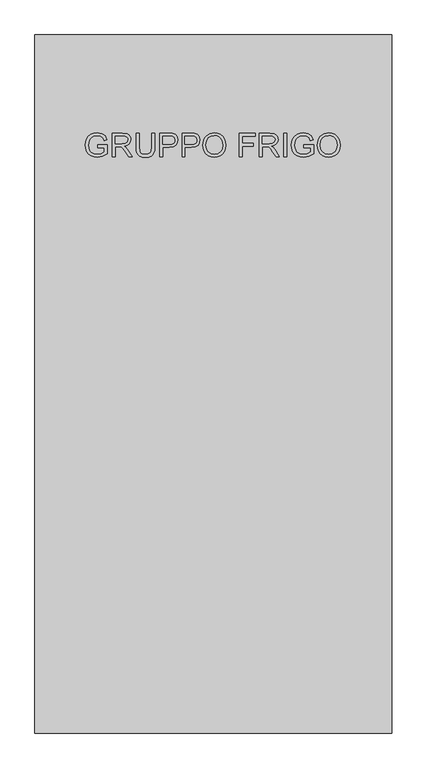
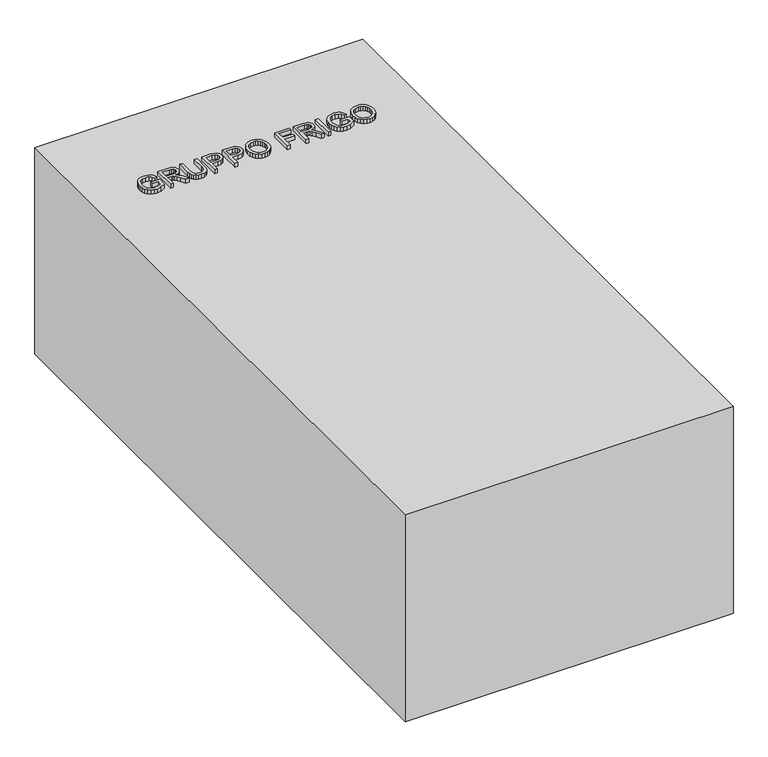
"""IFC4 building model written with IfcOpenShell, lengths in millimetres: proxy geometry."""

from ifc_helpers import new_model, si_unit, frame, origin, origin_with_axes, place, context, project, spatial, polyline, outline, extrude, source, transform, mapped, element, save


def mechanical_equipment_d75e34dd(model_context):
    return source(origin(), model_context, "Body", "SweptSolid", [
        extrude(outline(polyline([(-729.5403053, 1599.281646), (-729.5403053, 1618.1172041), (-668.3247413, 1618.1172041), (-668.3247413, 1561.7944707), (-698.5462472, 1544.0257703), (-730.4967985, 1538.066082), (-751.6270206, 1540.4343223), (-770.7246947, 1547.5390433), (-786.5896057, 1559.1319247), (-798.0215387, 1574.9646461), (-804.9331217, 1593.9565541), (-807.2369827, 1615.0269954), (-804.9423187, 1636.249188), (-798.0583269, 1655.9906555), (-786.8701157, 1672.5499438), (-771.6627938, 1684.2255986), (-753.1399353, 1691.1509772), (-732.0051147, 1693.4594367), (-702.5377669, 1688.1067537), (-690.7885356, 1681.705607), (-681.8811928, 1673.2075329), (-670.4952451, 1648.2835277), (-687.8592753, 1643.3906972), (-696.4493198, 1660.8099097), (-711.1278115, 1670.8530881), (-732.2994203, 1674.6238786), (-756.4140851, 1670.5587825), (-772.821622, 1659.8902047), (-782.5153126, 1645.37726), (-788.4014245, 1615.7995475), (-786.6309924, 1597.7871254), (-781.3196961, 1582.9660795), (-772.628484, 1571.442176), (-760.7183044, 1563.3211809), (-746.7801753, 1558.5065253), (-732.0051147, 1556.9016401), (-706.2349809, 1561.7392884), (-687.1602995, 1572.0583783), (-687.1602995, 1599.281646), (-729.5403053, 1599.281646)])), frame((0.0, 0.0, 1500.0), z_axis=(0.0, 0.0, 1.0), x_axis=(1.0, 0.0, 0.0)), (0.0, 0.0, 1.0), 30.0),
        extrude(outline(polyline([(-637.7169593, 1540.4205267), (-637.7169593, 1691.104992), (-572.7857872, 1691.104992), (-542.6378577, 1687.0398959), (-533.3580343, 1681.4113014), (-526.1567443, 1672.6557099), (-521.5352267, 1661.7985925), (-519.9947209, 1649.8654203), (-522.5469022, 1635.0213818), (-530.2034462, 1622.7157291), (-543.1942792, 1613.6934231), (-561.7493273, 1608.699425), (-551.0439613, 1600.6428093), (-535.7768585, 1581.2554282), (-510.6505182, 1540.4205267), (-532.5394969, 1540.4205267), (-552.1476072, 1571.6537081), (-566.3110641, 1592.3286763), (-576.262272, 1602.0959432), (-585.2201986, 1605.6827927), (-596.1462939, 1606.3449803), (-618.8814012, 1606.3449803), (-618.8814012, 1540.4205267), (-637.7169593, 1540.4205267)]), holes=[polyline([(-618.8814012, 1625.1805384), (-576.7221245, 1625.1805384), (-555.2194219, 1627.8476829), (-543.0057397, 1636.3825452), (-538.830279, 1649.1664445), (-540.8214403, 1658.3542973), (-546.7949242, 1665.7579225), (-557.0726274, 1670.641556), (-571.9764468, 1672.2694338), (-618.8814012, 1672.2694338), (-618.8814012, 1625.1805384)])]), frame((0.0, 0.0, 1500.0), z_axis=(0.0, 0.0, 1.0), x_axis=(1.0, 0.0, 0.0)), (0.0, 0.0, 1.0), 30.0),
        extrude(outline(polyline([(-388.1458138, 1691.104992), (-369.3102556, 1691.104992), (-369.3102556, 1604.1744765), (-370.5886456, 1583.8168066), (-374.4238154, 1568.1404351), (-381.5883172, 1556.0463145), (-392.8547033, 1546.4353974), (-408.2505648, 1540.1584108), (-427.8034929, 1538.066082), (-446.9287581, 1539.8870978), (-462.2188535, 1545.3501455), (-473.6783777, 1554.2666853), (-481.3119291, 1566.4481779), (-485.6023528, 1582.786737), (-487.0324941, 1604.1744765), (-487.0324941, 1691.104992), (-468.1969359, 1691.104992), (-468.1969359, 1604.8366641), (-464.4813278, 1576.1234744), (-459.4321474, 1567.9610926), (-451.7158226, 1561.9048353), (-429.5693264, 1556.9016401), (-410.4118715, 1559.3756465), (-397.6739575, 1566.7976658), (-390.5278497, 1581.2554282), (-388.1458138, 1604.8366641), (-388.1458138, 1691.104992)])), frame((0.0, 0.0, 1500.0), z_axis=(0.0, 0.0, 1.0), x_axis=(1.0, 0.0, 0.0)), (0.0, 0.0, 1.0), 30.0),
        extrude(outline(polyline([(-336.3480289, 1540.4205267), (-336.3480289, 1691.104992), (-280.503542, 1691.104992), (-257.9891639, 1689.6702522), (-239.6870346, 1682.625312), (-227.8228403, 1668.057185), (-223.3346799, 1647.5109755), (-226.3651079, 1629.7514722), (-235.4563917, 1614.953419), (-252.4571384, 1604.9654228), (-279.215955, 1601.6360907), (-317.5124707, 1601.6360907), (-317.5124707, 1540.4205267), (-336.3480289, 1540.4205267)]), holes=[polyline([(-317.5124707, 1620.4716489), (-278.112309, 1620.4716489), (-261.4104665, 1622.2006943), (-250.3740066, 1627.3878304), (-244.2211802, 1635.7111605), (-242.1702381, 1646.8487879), (-247.0078863, 1662.4469845), (-259.7182093, 1670.9818468), (-278.5537674, 1672.2694338), (-317.5124707, 1672.2694338), (-317.5124707, 1620.4716489)])]), frame((0.0, 0.0, 1500.0), z_axis=(0.0, 0.0, 1.0), x_axis=(1.0, 0.0, 0.0)), (0.0, 0.0, 1.0), 30.0),
        extrude(outline(polyline([(-197.4357875, 1540.4205267), (-197.4357875, 1691.104992), (-141.5913006, 1691.104992), (-119.0769225, 1689.6702522), (-100.7747933, 1682.625312), (-88.9105989, 1668.057185), (-84.4224386, 1647.5109755), (-87.4528665, 1629.7514722), (-96.5441503, 1614.953419), (-113.544897, 1604.9654228), (-140.3037136, 1601.6360907), (-178.6002293, 1601.6360907), (-178.6002293, 1540.4205267), (-197.4357875, 1540.4205267)]), holes=[polyline([(-178.6002293, 1620.4716489), (-139.2000677, 1620.4716489), (-122.4982251, 1622.2006943), (-111.4617652, 1627.3878304), (-105.3089388, 1635.7111605), (-103.2579967, 1646.8487879), (-108.095645, 1662.4469845), (-120.8059679, 1670.9818468), (-139.641526, 1672.2694338), (-178.6002293, 1672.2694338), (-178.6002293, 1620.4716489)])]), frame((0.0, 0.0, 1500.0), z_axis=(0.0, 0.0, 1.0), x_axis=(1.0, 0.0, 0.0)), (0.0, 0.0, 1.0), 30.0),
        extrude(outline(polyline([(-65.5868804, 1613.7761966), (-60.5652912, 1647.0971083), (-54.2883046, 1660.7156399), (-45.5005235, 1672.306222), (-22.4987017, 1688.171133), (6.3340496, 1693.4594367), (26.0985098, 1690.9762333), (43.8212249, 1683.5266229), (58.5365048, 1671.6348374), (69.278659, 1655.8251086), (75.8453526, 1636.8607918), (78.0342505, 1615.505242), (75.7303895, 1593.8645836), (68.8188065, 1574.6335523), (57.6811791, 1558.7962324), (42.6991849, 1547.3367082), (25.1282211, 1540.3837385), (6.223685, 1538.066082), (-13.8442778, 1540.6274604), (-31.6681605, 1548.3115955), (-46.3466521, 1560.4241102), (-56.9784417, 1576.2706272), (-63.4347707, 1594.5037786), (-65.5868804, 1613.7761966)]), holes=[polyline([(-46.7513223, 1613.5922556), (-42.9851303, 1590.0202167), (-31.6865546, 1572.0583783), (-14.704202, 1560.6908247), (6.1133204, 1556.9016401), (27.2343455, 1560.7276129), (44.2442892, 1572.2055311), (55.4600916, 1590.7191925), (59.1986923, 1615.6523947), (57.5984057, 1632.3266462), (52.7975456, 1646.7384233), (44.9202724, 1658.5244428), (34.0907462, 1667.321421), (21.0263368, 1672.7982642), (6.4444142, 1674.6238786), (-13.8166866, 1671.106007), (-31.0427611, 1660.5523923), (-42.824182, 1641.7766149), (-46.7513223, 1613.5922556)])]), frame((0.0, 0.0, 1500.0), z_axis=(0.0, 0.0, 1.0), x_axis=(1.0, 0.0, 0.0)), (0.0, 0.0, 1.0), 30.0),
        extrude(outline(polyline([(162.7942622, 1540.4205267), (162.7942622, 1691.104992), (264.0353873, 1691.104992), (264.0353873, 1672.2694338), (181.6298203, 1672.2694338), (181.6298203, 1627.5349832), (252.2631634, 1627.5349832), (252.2631634, 1608.699425), (181.6298203, 1608.699425), (181.6298203, 1540.4205267), (162.7942622, 1540.4205267)])), frame((0.0, 0.0, 1500.0), z_axis=(0.0, 0.0, 1.0), x_axis=(1.0, 0.0, 0.0)), (0.0, 0.0, 1.0), 30.0),
        extrude(outline(polyline([(289.9342797, 1540.4205267), (289.9342797, 1691.104992), (354.8654519, 1691.104992), (385.0133814, 1687.0398959), (394.2932047, 1681.4113014), (401.4944948, 1672.6557099), (406.1160123, 1661.7985925), (407.6565182, 1649.8654203), (405.1043368, 1635.0213818), (397.4477928, 1622.7157291), (384.4569599, 1613.6934231), (365.9019117, 1608.699425), (376.6072778, 1600.6428093), (391.8743806, 1581.2554282), (417.0007209, 1540.4205267), (395.1117421, 1540.4205267), (375.5036318, 1571.6537081), (361.340175, 1592.3286763), (351.388967, 1602.0959432), (342.4310404, 1605.6827927), (331.5049452, 1606.3449803), (308.7698379, 1606.3449803), (308.7698379, 1540.4205267), (289.9342797, 1540.4205267)]), holes=[polyline([(308.7698379, 1625.1805384), (350.9291145, 1625.1805384), (372.4318171, 1627.8476829), (384.6454994, 1636.3825452), (388.82096, 1649.1664445), (386.8297987, 1658.3542973), (380.8563148, 1665.7579225), (370.5786116, 1670.641556), (355.6747923, 1672.2694338), (308.7698379, 1672.2694338), (308.7698379, 1625.1805384)])]), frame((0.0, 0.0, 1500.0), z_axis=(0.0, 0.0, 1.0), x_axis=(1.0, 0.0, 0.0)), (0.0, 0.0, 1.0), 30.0),
        extrude(outline(polyline([(442.9731897, 1540.4205267), (442.9731897, 1691.104992), (461.8087479, 1691.104992), (461.8087479, 1540.4205267), (442.9731897, 1540.4205267)])), frame((0.0, 0.0, 1500.0), z_axis=(0.0, 0.0, 1.0), x_axis=(1.0, 0.0, 0.0)), (0.0, 0.0, 1.0), 30.0),
        extrude(outline(polyline([(570.1132072, 1599.281646), (570.1132072, 1618.1172041), (631.3287712, 1618.1172041), (631.3287712, 1561.7944707), (601.1072653, 1544.0257703), (569.1567141, 1538.066082), (548.026492, 1540.4343223), (528.9288179, 1547.5390433), (513.0639068, 1559.1319247), (501.6319738, 1574.9646461), (494.7203909, 1593.9565541), (492.4165299, 1615.0269954), (494.7111938, 1636.249188), (501.5951856, 1655.9906555), (512.7833968, 1672.5499438), (527.9907188, 1684.2255986), (546.5135773, 1691.1509772), (567.6483979, 1693.4594367), (597.1157457, 1688.1067537), (608.8649769, 1681.705607), (617.7723197, 1673.2075329), (629.1582675, 1648.2835277), (611.7942373, 1643.3906972), (603.2041927, 1660.8099097), (588.5257011, 1670.8530881), (567.3540923, 1674.6238786), (543.2394275, 1670.5587825), (526.8318905, 1659.8902047), (517.1381999, 1645.37726), (511.252088, 1615.7995475), (513.0225201, 1597.7871254), (518.3338164, 1582.9660795), (527.0250286, 1571.442176), (538.9352082, 1563.3211809), (552.8733372, 1558.5065253), (567.6483979, 1556.9016401), (593.4185316, 1561.7392884), (612.4932131, 1572.0583783), (612.4932131, 1599.281646), (570.1132072, 1599.281646)])), frame((0.0, 0.0, 1500.0), z_axis=(0.0, 0.0, 1.0), x_axis=(1.0, 0.0, 0.0)), (0.0, 0.0, 1.0), 30.0),
        extrude(outline(polyline([(654.8732189, 1613.7761966), (659.8948082, 1647.0971083), (666.1717947, 1660.7156399), (674.9595759, 1672.306222), (697.9613976, 1688.171133), (726.794149, 1693.4594367), (746.5586092, 1690.9762333), (764.2813243, 1683.5266229), (778.9966041, 1671.6348374), (789.7387584, 1655.8251086), (796.305452, 1636.8607918), (798.4943499, 1615.505242), (796.1904889, 1593.8645836), (789.2789059, 1574.6335523), (778.1412785, 1558.7962324), (763.1592842, 1547.3367082), (745.5883204, 1540.3837385), (726.6837844, 1538.066082), (706.6158216, 1540.6274604), (688.7919389, 1548.3115955), (674.1134473, 1560.4241102), (663.4816576, 1576.2706272), (657.0253286, 1594.5037786), (654.8732189, 1613.7761966)]), holes=[polyline([(673.7087771, 1613.5922556), (677.474969, 1590.0202167), (688.7735448, 1572.0583783), (705.7558974, 1560.6908247), (726.5734198, 1556.9016401), (747.6944448, 1560.7276129), (764.7043886, 1572.2055311), (775.9201909, 1590.7191925), (779.6587917, 1615.6523947), (778.058505, 1632.3266462), (773.257645, 1646.7384233), (765.3803718, 1658.5244428), (754.5508455, 1667.321421), (741.4864362, 1672.7982642), (726.9045136, 1674.6238786), (706.6434127, 1671.106007), (689.4173383, 1660.5523923), (677.6359174, 1641.7766149), (673.7087771, 1613.5922556)])]), frame((0.0, 0.0, 1500.0), z_axis=(0.0, 0.0, 1.0), x_axis=(1.0, 0.0, 0.0)), (0.0, 0.0, 1.0), 30.0),
        extrude(outline(polyline([(-1124.5164409, 2309.8059573), (1125.3067846, 2309.8059573), (1125.3067846, -2090.1940427), (-1124.5164409, -2090.1940427), (-1124.5164409, 2309.8059573)])), origin_with_axes(), (0.0, 0.0, 1.0), 1500.0),
    ])


if __name__ == "__main__":
    model = new_model("IFC4")
    model_context = context("Model", 3, world=origin())
    ifc_project = project(units=[si_unit("LENGTHUNIT", "METRE", prefix="MILLI")], contexts=[model_context])
    site = spatial("IfcSite", under=ifc_project)
    building = spatial("IfcBuilding", under=site)
    placement = place(None, origin())
    mechanical_equipment_shape = mechanical_equipment_d75e34dd(model_context)
    element("IfcBuildingElementProxy", 1, Name="Mechanical Equipment", at=placement, inside=building, context=model_context, shape_type="MappedRepresentation", body=[
        mapped(mechanical_equipment_shape, transform((0.0, 0.0, 0.0), x_axis=(1.0, 0.0, 0.0), y_axis=(0.0, 1.0, 0.0), z_axis=(0.0, 0.0, 1.0))),
    ])
    save(model, "model.ifc")
